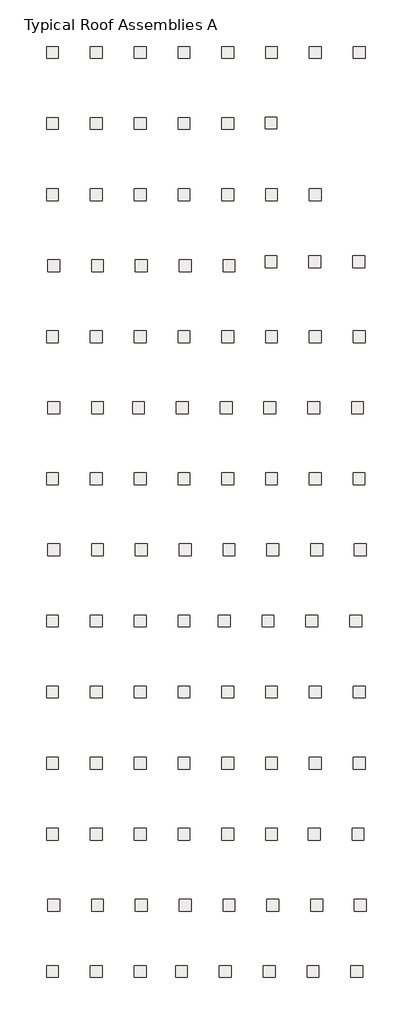
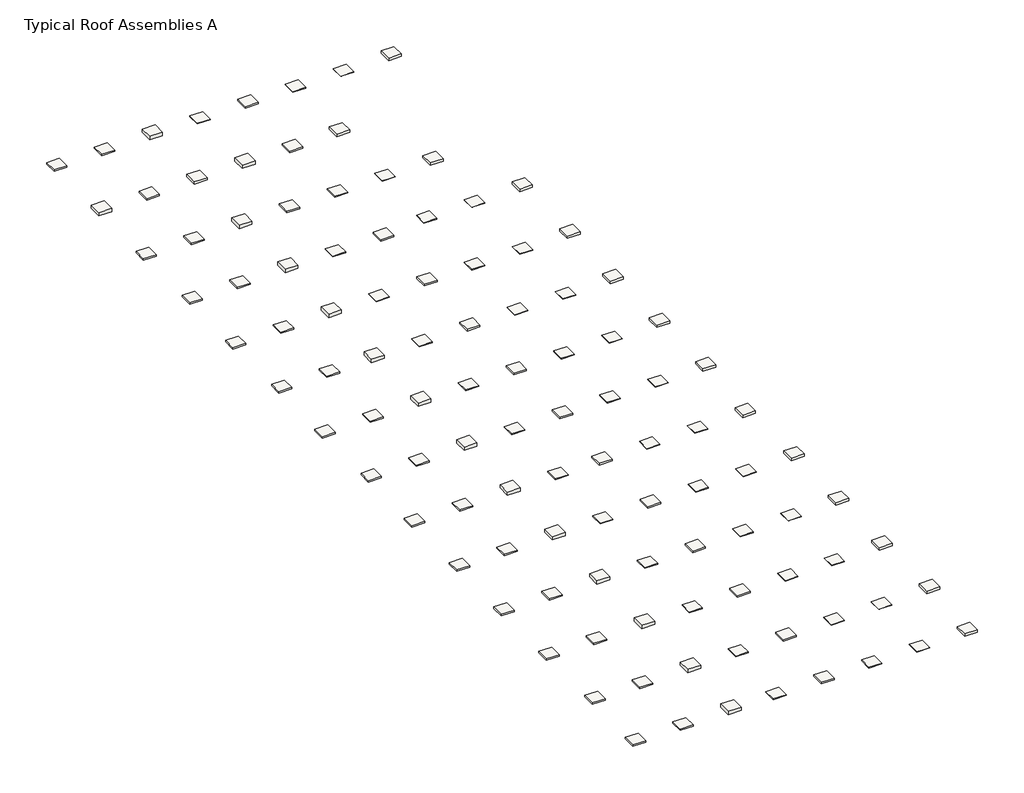
# One storey: 109 roofs.
"""IFC4 building model written with IfcOpenShell, lengths in millimetres."""

from ifc_helpers import new_model, si_unit, frame, origin, place, context, project, spatial, polyline, outline, extrude, element, save

model = new_model("IFC4")

# Units and contexts
model_context = context("Model", 3, world=origin())
ifc_project = project(units=[si_unit("LENGTHUNIT", "METRE", prefix="MILLI")], contexts=[model_context])

# Site, building, storey
site = spatial("IfcSite", under=ifc_project)
building = spatial("IfcBuilding", under=site)
storey = spatial("IfcBuildingStorey", under=building, Name="Typical Roof Assemblies A", Elevation=9144.0)

# Roofs
placement = place(None, origin())
element("IfcRoof", 1, at=placement, inside=storey, context=model_context, shape_type="SweptSolid", body=[
    extrude(outline(polyline([(-20080.9796011, 8926.1526271), (-18556.9796011, 8926.1526271), (-18556.9796011, 7402.1526271), (-20080.9796011, 7402.1526271), (-20080.9796011, 8926.1526271)])), frame((0.0, 0.0, 9144.0), z_axis=(0.0, 0.0, 1.0), x_axis=(1.0, 0.0, 0.0)), (0.0, 0.0, 1.0), 187.3250032),
])
element("IfcRoof", 2, at=placement, inside=storey, context=model_context, shape_type="SweptSolid", body=[
    extrude(outline(polyline([(-14442.1796011, 8926.1526271), (-12918.1796011, 8926.1526271), (-12918.1796011, 7402.1526271), (-14442.1796011, 7402.1526271), (-14442.1796011, 8926.1526271)])), frame((0.0, 0.0, 9144.0), z_axis=(0.0, 0.0, 1.0), x_axis=(1.0, 0.0, 0.0)), (0.0, 0.0, 1.0), 149.2250032),
])
element("IfcRoof", 3, at=placement, inside=storey, context=model_context, shape_type="SweptSolid", body=[
    extrude(outline(polyline([(-8803.3796011, 8926.1526271), (-7279.3796011, 8926.1526271), (-7279.3796011, 7402.1526271), (-8803.3796011, 7402.1526271), (-8803.3796011, 8926.1526271)])), frame((0.0, 0.0, 9144.0), z_axis=(0.0, 0.0, 1.0), x_axis=(1.0, 0.0, 0.0)), (0.0, 0.0, 1.0), 412.7500029),
])
element("IfcRoof", 4, at=placement, inside=storey, context=model_context, shape_type="SweptSolid", body=[
    extrude(outline(polyline([(-3164.5796011, 8926.1526271), (-1640.5796011, 8926.1526271), (-1640.5796011, 7402.1526271), (-3164.5796011, 7402.1526271), (-3164.5796011, 8926.1526271)])), frame((0.0, 0.0, 9144.0), z_axis=(0.0, 0.0, 1.0), x_axis=(1.0, 0.0, 0.0)), (0.0, 0.0, 1.0), 84.1375001),
])
element("IfcRoof", 5, at=placement, inside=storey, context=model_context, shape_type="SweptSolid", body=[
    extrude(outline(polyline([(2474.2203989, 8926.1526271), (3998.2203989, 8926.1526271), (3998.2203989, 7402.1526271), (2474.2203989, 7402.1526271), (2474.2203989, 8926.1526271)])), frame((0.0, 0.0, 9144.0), z_axis=(0.0, 0.0, 1.0), x_axis=(1.0, 0.0, 0.0)), (0.0, 0.0, 1.0), 192.0875033),
])
element("IfcRoof", 6, at=placement, inside=storey, context=model_context, shape_type="SweptSolid", body=[
    extrude(outline(polyline([(8113.0203989, 8926.1526271), (9637.0203989, 8926.1526271), (9637.0203989, 7402.1526271), (8113.0203989, 7402.1526271), (8113.0203989, 8926.1526271)])), frame((0.0, 0.0, 9144.0), z_axis=(0.0, 0.0, 1.0), x_axis=(1.0, 0.0, 0.0)), (0.0, 0.0, 1.0), 84.1375001),
])
element("IfcRoof", 7, at=placement, inside=storey, context=model_context, shape_type="SweptSolid", body=[
    extrude(outline(polyline([(13751.8203989, 8926.1526271), (15275.8203989, 8926.1526271), (15275.8203989, 7402.1526271), (13751.8203989, 7402.1526271), (13751.8203989, 8926.1526271)])), frame((0.0, 0.0, 9144.0), z_axis=(0.0, 0.0, 1.0), x_axis=(1.0, 0.0, 0.0)), (0.0, 0.0, 1.0), 46.0375001),
])
element("IfcRoof", 8, at=placement, inside=storey, context=model_context, shape_type="SweptSolid", body=[
    extrude(outline(polyline([(19390.6203989, 8926.1526271), (20914.6203989, 8926.1526271), (20914.6203989, 7402.1526271), (19390.6203989, 7402.1526271), (19390.6203989, 8926.1526271)])), frame((0.0, 0.0, 9144.0), z_axis=(0.0, 0.0, 1.0), x_axis=(1.0, 0.0, 0.0)), (0.0, 0.0, 1.0), 304.7999997),
])
element("IfcRoof", 9, at=placement, inside=storey, context=model_context, shape_type="SweptSolid", body=[
    extrude(outline(polyline([(-20080.9796011, -217.8473729), (-18556.9796011, -217.8473729), (-18556.9796011, -1741.8473729), (-20080.9796011, -1741.8473729), (-20080.9796011, -217.8473729)])), frame((0.0, 0.0, 9144.0), z_axis=(0.0, 0.0, 1.0), x_axis=(1.0, 0.0, 0.0)), (0.0, 0.0, 1.0), 412.7500029),
])
element("IfcRoof", 10, at=placement, inside=storey, context=model_context, shape_type="SweptSolid", body=[
    extrude(outline(polyline([(-14442.1796011, -217.8473729), (-12918.1796011, -217.8473729), (-12918.1796011, -1741.8473729), (-14442.1796011, -1741.8473729), (-14442.1796011, -217.8473729)])), frame((0.0, 0.0, 9144.0), z_axis=(0.0, 0.0, 1.0), x_axis=(1.0, 0.0, 0.0)), (0.0, 0.0, 1.0), 192.0875033),
])
element("IfcRoof", 11, at=placement, inside=storey, context=model_context, shape_type="SweptSolid", body=[
    extrude(outline(polyline([(-8803.3796011, -217.8473729), (-7279.3796011, -217.8473729), (-7279.3796011, -1741.8473729), (-8803.3796011, -1741.8473729), (-8803.3796011, -217.8473729)])), frame((0.0, 0.0, 9144.0), z_axis=(0.0, 0.0, 1.0), x_axis=(1.0, 0.0, 0.0)), (0.0, 0.0, 1.0), 304.7999997),
])
element("IfcRoof", 12, at=placement, inside=storey, context=model_context, shape_type="SweptSolid", body=[
    extrude(outline(polyline([(-3164.5796011, -217.8473729), (-1640.5796011, -217.8473729), (-1640.5796011, -1741.8473729), (-3164.5796011, -1741.8473729), (-3164.5796011, -217.8473729)])), frame((0.0, 0.0, 9144.0), z_axis=(0.0, 0.0, 1.0), x_axis=(1.0, 0.0, 0.0)), (0.0, 0.0, 1.0), 412.7500029),
])
element("IfcRoof", 13, at=placement, inside=storey, context=model_context, shape_type="SweptSolid", body=[
    extrude(outline(polyline([(2474.2203989, -217.8473729), (3998.2203989, -217.8473729), (3998.2203989, -1741.8473729), (2474.2203989, -1741.8473729), (2474.2203989, -217.8473729)])), frame((0.0, 0.0, 9144.0), z_axis=(0.0, 0.0, 1.0), x_axis=(1.0, 0.0, 0.0)), (0.0, 0.0, 1.0), 192.0875033),
])
element("IfcRoof", 14, at=placement, inside=storey, context=model_context, shape_type="SweptSolid", body=[
    extrude(outline(polyline([(8035.9548069, -146.2722939), (9559.9548069, -146.2722939), (9559.9548069, -1670.2722939), (8035.9548069, -1670.2722939), (8035.9548069, -146.2722939)])), frame((0.0, 0.0, 9144.0), z_axis=(0.0, 0.0, 1.0), x_axis=(1.0, 0.0, 0.0)), (0.0, 0.0, 1.0), 304.7999997),
])
element("IfcRoof", 15, at=placement, inside=storey, context=model_context, shape_type="SweptSolid", body=[
    extrude(outline(polyline([(-20080.9796011, -9361.8473729), (-18556.9796011, -9361.8473729), (-18556.9796011, -10885.8473729), (-20080.9796011, -10885.8473729), (-20080.9796011, -9361.8473729)])), frame((0.0, 0.0, 9144.0), z_axis=(0.0, 0.0, 1.0), x_axis=(1.0, 0.0, 0.0)), (0.0, 0.0, 1.0), 187.3250032),
])
element("IfcRoof", 16, at=placement, inside=storey, context=model_context, shape_type="SweptSolid", body=[
    extrude(outline(polyline([(-14442.1796011, -9361.8473729), (-12918.1796011, -9361.8473729), (-12918.1796011, -10885.8473729), (-14442.1796011, -10885.8473729), (-14442.1796011, -9361.8473729)])), frame((0.0, 0.0, 9144.0), z_axis=(0.0, 0.0, 1.0), x_axis=(1.0, 0.0, 0.0)), (0.0, 0.0, 1.0), 149.2250032),
])
element("IfcRoof", 17, at=placement, inside=storey, context=model_context, shape_type="SweptSolid", body=[
    extrude(outline(polyline([(-8803.3796011, -9361.8473729), (-7279.3796011, -9361.8473729), (-7279.3796011, -10885.8473729), (-8803.3796011, -10885.8473729), (-8803.3796011, -9361.8473729)])), frame((0.0, 0.0, 9144.0), z_axis=(0.0, 0.0, 1.0), x_axis=(1.0, 0.0, 0.0)), (0.0, 0.0, 1.0), 412.7500029),
])
element("IfcRoof", 18, at=placement, inside=storey, context=model_context, shape_type="SweptSolid", body=[
    extrude(outline(polyline([(-3164.5796011, -9361.8473729), (-1640.5796011, -9361.8473729), (-1640.5796011, -10885.8473729), (-3164.5796011, -10885.8473729), (-3164.5796011, -9361.8473729)])), frame((0.0, 0.0, 9144.0), z_axis=(0.0, 0.0, 1.0), x_axis=(1.0, 0.0, 0.0)), (0.0, 0.0, 1.0), 192.0875033),
])
element("IfcRoof", 19, at=placement, inside=storey, context=model_context, shape_type="SweptSolid", body=[
    extrude(outline(polyline([(2474.2203989, -9361.8473729), (3998.2203989, -9361.8473729), (3998.2203989, -10885.8473729), (2474.2203989, -10885.8473729), (2474.2203989, -9361.8473729)])), frame((0.0, 0.0, 9144.0), z_axis=(0.0, 0.0, 1.0), x_axis=(1.0, 0.0, 0.0)), (0.0, 0.0, 1.0), 84.1375001),
])
element("IfcRoof", 20, at=placement, inside=storey, context=model_context, shape_type="SweptSolid", body=[
    extrude(outline(polyline([(8113.0203989, -9361.8473729), (9637.0203989, -9361.8473729), (9637.0203989, -10885.8473729), (8113.0203989, -10885.8473729), (8113.0203989, -9361.8473729)])), frame((0.0, 0.0, 9144.0), z_axis=(0.0, 0.0, 1.0), x_axis=(1.0, 0.0, 0.0)), (0.0, 0.0, 1.0), 46.0375001),
])
element("IfcRoof", 21, at=placement, inside=storey, context=model_context, shape_type="SweptSolid", body=[
    extrude(outline(polyline([(13751.8203989, -9361.8473729), (15275.8203989, -9361.8473729), (15275.8203989, -10885.8473729), (13751.8203989, -10885.8473729), (13751.8203989, -9361.8473729)])), frame((0.0, 0.0, 9144.0), z_axis=(0.0, 0.0, 1.0), x_axis=(1.0, 0.0, 0.0)), (0.0, 0.0, 1.0), 304.7999997),
])
element("IfcRoof", 22, at=placement, inside=storey, context=model_context, shape_type="SweptSolid", body=[
    extrude(outline(polyline([(-19928.5796011, -18505.8473729), (-18404.5796011, -18505.8473729), (-18404.5796011, -20029.8473729), (-19928.5796011, -20029.8473729), (-19928.5796011, -18505.8473729)])), frame((0.0, 0.0, 9144.0), z_axis=(0.0, 0.0, 1.0), x_axis=(1.0, 0.0, 0.0)), (0.0, 0.0, 1.0), 187.3250032),
])
element("IfcRoof", 23, at=placement, inside=storey, context=model_context, shape_type="SweptSolid", body=[
    extrude(outline(polyline([(-14289.7796011, -18505.8473729), (-12765.7796011, -18505.8473729), (-12765.7796011, -20029.8473729), (-14289.7796011, -20029.8473729), (-14289.7796011, -18505.8473729)])), frame((0.0, 0.0, 9144.0), z_axis=(0.0, 0.0, 1.0), x_axis=(1.0, 0.0, 0.0)), (0.0, 0.0, 1.0), 149.2250032),
])
element("IfcRoof", 24, at=placement, inside=storey, context=model_context, shape_type="SweptSolid", body=[
    extrude(outline(polyline([(-8650.9796011, -18505.8473729), (-7126.9796011, -18505.8473729), (-7126.9796011, -20029.8473729), (-8650.9796011, -20029.8473729), (-8650.9796011, -18505.8473729)])), frame((0.0, 0.0, 9144.0), z_axis=(0.0, 0.0, 1.0), x_axis=(1.0, 0.0, 0.0)), (0.0, 0.0, 1.0), 412.7500029),
])
element("IfcRoof", 25, at=placement, inside=storey, context=model_context, shape_type="SweptSolid", body=[
    extrude(outline(polyline([(-3012.1796011, -18505.8473729), (-1488.1796011, -18505.8473729), (-1488.1796011, -20029.8473729), (-3012.1796011, -20029.8473729), (-3012.1796011, -18505.8473729)])), frame((0.0, 0.0, 9144.0), z_axis=(0.0, 0.0, 1.0), x_axis=(1.0, 0.0, 0.0)), (0.0, 0.0, 1.0), 84.1375001),
])
element("IfcRoof", 26, at=placement, inside=storey, context=model_context, shape_type="SweptSolid", body=[
    extrude(outline(polyline([(2626.6203989, -18505.8473729), (4150.6203989, -18505.8473729), (4150.6203989, -20029.8473729), (2626.6203989, -20029.8473729), (2626.6203989, -18505.8473729)])), frame((0.0, 0.0, 9144.0), z_axis=(0.0, 0.0, 1.0), x_axis=(1.0, 0.0, 0.0)), (0.0, 0.0, 1.0), 192.0875033),
])
element("IfcRoof", 27, at=placement, inside=storey, context=model_context, shape_type="SweptSolid", body=[
    extrude(outline(polyline([(8040.0496038, -17982.4130212), (9564.0496038, -17982.4130212), (9564.0496038, -19506.4130212), (8040.0496038, -19506.4130212), (8040.0496038, -17982.4130212)])), frame((0.0, 0.0, 9144.0), z_axis=(0.0, 0.0, 1.0), x_axis=(1.0, 0.0, 0.0)), (0.0, 0.0, 1.0), 84.1375001),
])
element("IfcRoof", 28, at=placement, inside=storey, context=model_context, shape_type="SweptSolid", body=[
    extrude(outline(polyline([(13678.8496038, -17982.4130212), (15202.8496038, -17982.4130212), (15202.8496038, -19506.4130212), (13678.8496038, -19506.4130212), (13678.8496038, -17982.4130212)])), frame((0.0, 0.0, 9144.0), z_axis=(0.0, 0.0, 1.0), x_axis=(1.0, 0.0, 0.0)), (0.0, 0.0, 1.0), 46.0375001),
])
element("IfcRoof", 29, at=placement, inside=storey, context=model_context, shape_type="SweptSolid", body=[
    extrude(outline(polyline([(19317.6496038, -17982.4130212), (20841.6496038, -17982.4130212), (20841.6496038, -19506.4130212), (19317.6496038, -19506.4130212), (19317.6496038, -17982.4130212)])), frame((0.0, 0.0, 9144.0), z_axis=(0.0, 0.0, 1.0), x_axis=(1.0, 0.0, 0.0)), (0.0, 0.0, 1.0), 304.7999997),
])
element("IfcRoof", 30, at=placement, inside=storey, context=model_context, shape_type="SweptSolid", body=[
    extrude(outline(polyline([(-20080.9796011, -27649.8473729), (-18556.9796011, -27649.8473729), (-18556.9796011, -29173.8473729), (-20080.9796011, -29173.8473729), (-20080.9796011, -27649.8473729)])), frame((0.0, 0.0, 9144.0), z_axis=(0.0, 0.0, 1.0), x_axis=(1.0, 0.0, 0.0)), (0.0, 0.0, 1.0), 187.3250032),
])
element("IfcRoof", 31, at=placement, inside=storey, context=model_context, shape_type="SweptSolid", body=[
    extrude(outline(polyline([(-14442.1796011, -27649.8473729), (-12918.1796011, -27649.8473729), (-12918.1796011, -29173.8473729), (-14442.1796011, -29173.8473729), (-14442.1796011, -27649.8473729)])), frame((0.0, 0.0, 9144.0), z_axis=(0.0, 0.0, 1.0), x_axis=(1.0, 0.0, 0.0)), (0.0, 0.0, 1.0), 149.2250032),
])
element("IfcRoof", 32, at=placement, inside=storey, context=model_context, shape_type="SweptSolid", body=[
    extrude(outline(polyline([(-8803.3796011, -27649.8473729), (-7279.3796011, -27649.8473729), (-7279.3796011, -29173.8473729), (-8803.3796011, -29173.8473729), (-8803.3796011, -27649.8473729)])), frame((0.0, 0.0, 9144.0), z_axis=(0.0, 0.0, 1.0), x_axis=(1.0, 0.0, 0.0)), (0.0, 0.0, 1.0), 412.7500029),
])
element("IfcRoof", 33, at=placement, inside=storey, context=model_context, shape_type="SweptSolid", body=[
    extrude(outline(polyline([(-3164.5796011, -27649.8473729), (-1640.5796011, -27649.8473729), (-1640.5796011, -29173.8473729), (-3164.5796011, -29173.8473729), (-3164.5796011, -27649.8473729)])), frame((0.0, 0.0, 9144.0), z_axis=(0.0, 0.0, 1.0), x_axis=(1.0, 0.0, 0.0)), (0.0, 0.0, 1.0), 84.1375001),
])
element("IfcRoof", 34, at=placement, inside=storey, context=model_context, shape_type="SweptSolid", body=[
    extrude(outline(polyline([(2474.2203989, -27649.8473729), (3998.2203989, -27649.8473729), (3998.2203989, -29173.8473729), (2474.2203989, -29173.8473729), (2474.2203989, -27649.8473729)])), frame((0.0, 0.0, 9144.0), z_axis=(0.0, 0.0, 1.0), x_axis=(1.0, 0.0, 0.0)), (0.0, 0.0, 1.0), 192.0875033),
])
element("IfcRoof", 35, at=placement, inside=storey, context=model_context, shape_type="SweptSolid", body=[
    extrude(outline(polyline([(8113.0203989, -27649.8473729), (9637.0203989, -27649.8473729), (9637.0203989, -29173.8473729), (8113.0203989, -29173.8473729), (8113.0203989, -27649.8473729)])), frame((0.0, 0.0, 9144.0), z_axis=(0.0, 0.0, 1.0), x_axis=(1.0, 0.0, 0.0)), (0.0, 0.0, 1.0), 84.1375001),
])
element("IfcRoof", 36, at=placement, inside=storey, context=model_context, shape_type="SweptSolid", body=[
    extrude(outline(polyline([(13751.8203989, -27649.8473729), (15275.8203989, -27649.8473729), (15275.8203989, -29173.8473729), (13751.8203989, -29173.8473729), (13751.8203989, -27649.8473729)])), frame((0.0, 0.0, 9144.0), z_axis=(0.0, 0.0, 1.0), x_axis=(1.0, 0.0, 0.0)), (0.0, 0.0, 1.0), 46.0375001),
])
element("IfcRoof", 37, at=placement, inside=storey, context=model_context, shape_type="SweptSolid", body=[
    extrude(outline(polyline([(19390.6203989, -27649.8473729), (20914.6203989, -27649.8473729), (20914.6203989, -29173.8473729), (19390.6203989, -29173.8473729), (19390.6203989, -27649.8473729)])), frame((0.0, 0.0, 9144.0), z_axis=(0.0, 0.0, 1.0), x_axis=(1.0, 0.0, 0.0)), (0.0, 0.0, 1.0), 304.7999997),
])
element("IfcRoof", 38, at=placement, inside=storey, context=model_context, shape_type="SweptSolid", body=[
    extrude(outline(polyline([(-19928.5796011, -36793.8473729), (-18404.5796011, -36793.8473729), (-18404.5796011, -38317.8473729), (-19928.5796011, -38317.8473729), (-19928.5796011, -36793.8473729)])), frame((0.0, 0.0, 9144.0), z_axis=(0.0, 0.0, 1.0), x_axis=(1.0, 0.0, 0.0)), (0.0, 0.0, 1.0), 187.3250032),
])
element("IfcRoof", 39, at=placement, inside=storey, context=model_context, shape_type="SweptSolid", body=[
    extrude(outline(polyline([(-14289.7796011, -36793.8473729), (-12765.7796011, -36793.8473729), (-12765.7796011, -38317.8473729), (-14289.7796011, -38317.8473729), (-14289.7796011, -36793.8473729)])), frame((0.0, 0.0, 9144.0), z_axis=(0.0, 0.0, 1.0), x_axis=(1.0, 0.0, 0.0)), (0.0, 0.0, 1.0), 149.2250032),
])
element("IfcRoof", 40, at=placement, inside=storey, context=model_context, shape_type="SweptSolid", body=[
    extrude(outline(polyline([(-9017.848886, -36799.1845105), (-7493.848886, -36799.1845105), (-7493.848886, -38323.1845105), (-9017.848886, -38323.1845105), (-9017.848886, -36799.1845105)])), frame((0.0, 0.0, 9144.0), z_axis=(0.0, 0.0, 1.0), x_axis=(1.0, 0.0, 0.0)), (0.0, 0.0, 1.0), 412.7500029),
])
element("IfcRoof", 41, at=placement, inside=storey, context=model_context, shape_type="SweptSolid", body=[
    extrude(outline(polyline([(-3379.048886, -36799.1845105), (-1855.048886, -36799.1845105), (-1855.048886, -38323.1845105), (-3379.048886, -38323.1845105), (-3379.048886, -36799.1845105)])), frame((0.0, 0.0, 9144.0), z_axis=(0.0, 0.0, 1.0), x_axis=(1.0, 0.0, 0.0)), (0.0, 0.0, 1.0), 84.1375001),
])
element("IfcRoof", 42, at=placement, inside=storey, context=model_context, shape_type="SweptSolid", body=[
    extrude(outline(polyline([(2259.751114, -36799.1845105), (3783.751114, -36799.1845105), (3783.751114, -38323.1845105), (2259.751114, -38323.1845105), (2259.751114, -36799.1845105)])), frame((0.0, 0.0, 9144.0), z_axis=(0.0, 0.0, 1.0), x_axis=(1.0, 0.0, 0.0)), (0.0, 0.0, 1.0), 192.0875033),
])
element("IfcRoof", 43, at=placement, inside=storey, context=model_context, shape_type="SweptSolid", body=[
    extrude(outline(polyline([(7898.551114, -36799.1845105), (9422.551114, -36799.1845105), (9422.551114, -38323.1845105), (7898.551114, -38323.1845105), (7898.551114, -36799.1845105)])), frame((0.0, 0.0, 9144.0), z_axis=(0.0, 0.0, 1.0), x_axis=(1.0, 0.0, 0.0)), (0.0, 0.0, 1.0), 84.1375001),
])
element("IfcRoof", 44, at=placement, inside=storey, context=model_context, shape_type="SweptSolid", body=[
    extrude(outline(polyline([(13537.351114, -36799.1845105), (15061.351114, -36799.1845105), (15061.351114, -38323.1845105), (13537.351114, -38323.1845105), (13537.351114, -36799.1845105)])), frame((0.0, 0.0, 9144.0), z_axis=(0.0, 0.0, 1.0), x_axis=(1.0, 0.0, 0.0)), (0.0, 0.0, 1.0), 46.0375001),
])
element("IfcRoof", 45, at=placement, inside=storey, context=model_context, shape_type="SweptSolid", body=[
    extrude(outline(polyline([(19176.151114, -36799.1845105), (20700.151114, -36799.1845105), (20700.151114, -38323.1845105), (19176.151114, -38323.1845105), (19176.151114, -36799.1845105)])), frame((0.0, 0.0, 9144.0), z_axis=(0.0, 0.0, 1.0), x_axis=(1.0, 0.0, 0.0)), (0.0, 0.0, 1.0), 304.7999997),
])
element("IfcRoof", 46, at=placement, inside=storey, context=model_context, shape_type="SweptSolid", body=[
    extrude(outline(polyline([(-20080.9796011, -45937.8473729), (-18556.9796011, -45937.8473729), (-18556.9796011, -47461.8473729), (-20080.9796011, -47461.8473729), (-20080.9796011, -45937.8473729)])), frame((0.0, 0.0, 9144.0), z_axis=(0.0, 0.0, 1.0), x_axis=(1.0, 0.0, 0.0)), (0.0, 0.0, 1.0), 188.0235032),
])
element("IfcRoof", 47, at=placement, inside=storey, context=model_context, shape_type="SweptSolid", body=[
    extrude(outline(polyline([(-14442.1796011, -45937.8473729), (-12918.1796011, -45937.8473729), (-12918.1796011, -47461.8473729), (-14442.1796011, -47461.8473729), (-14442.1796011, -45937.8473729)])), frame((0.0, 0.0, 9144.0), z_axis=(0.0, 0.0, 1.0), x_axis=(1.0, 0.0, 0.0)), (0.0, 0.0, 1.0), 149.9235032),
])
element("IfcRoof", 48, at=placement, inside=storey, context=model_context, shape_type="SweptSolid", body=[
    extrude(outline(polyline([(-8803.3796011, -45937.8473729), (-7279.3796011, -45937.8473729), (-7279.3796011, -47461.8473729), (-8803.3796011, -47461.8473729), (-8803.3796011, -45937.8473729)])), frame((0.0, 0.0, 9144.0), z_axis=(0.0, 0.0, 1.0), x_axis=(1.0, 0.0, 0.0)), (0.0, 0.0, 1.0), 413.448503),
])
element("IfcRoof", 49, at=placement, inside=storey, context=model_context, shape_type="SweptSolid", body=[
    extrude(outline(polyline([(-3164.5796011, -45937.8473729), (-1640.5796011, -45937.8473729), (-1640.5796011, -47461.8473729), (-3164.5796011, -47461.8473729), (-3164.5796011, -45937.8473729)])), frame((0.0, 0.0, 9144.0), z_axis=(0.0, 0.0, 1.0), x_axis=(1.0, 0.0, 0.0)), (0.0, 0.0, 1.0), 84.8360001),
])
element("IfcRoof", 50, at=placement, inside=storey, context=model_context, shape_type="SweptSolid", body=[
    extrude(outline(polyline([(2474.2203989, -45937.8473729), (3998.2203989, -45937.8473729), (3998.2203989, -47461.8473729), (2474.2203989, -47461.8473729), (2474.2203989, -45937.8473729)])), frame((0.0, 0.0, 9144.0), z_axis=(0.0, 0.0, 1.0), x_axis=(1.0, 0.0, 0.0)), (0.0, 0.0, 1.0), 192.7860034),
])
element("IfcRoof", 51, at=placement, inside=storey, context=model_context, shape_type="SweptSolid", body=[
    extrude(outline(polyline([(8113.0203989, -45937.8473729), (9637.0203989, -45937.8473729), (9637.0203989, -47461.8473729), (8113.0203989, -47461.8473729), (8113.0203989, -45937.8473729)])), frame((0.0, 0.0, 9144.0), z_axis=(0.0, 0.0, 1.0), x_axis=(1.0, 0.0, 0.0)), (0.0, 0.0, 1.0), 84.8360001),
])
element("IfcRoof", 52, at=placement, inside=storey, context=model_context, shape_type="SweptSolid", body=[
    extrude(outline(polyline([(13751.8203989, -45937.8473729), (15275.8203989, -45937.8473729), (15275.8203989, -47461.8473729), (13751.8203989, -47461.8473729), (13751.8203989, -45937.8473729)])), frame((0.0, 0.0, 9144.0), z_axis=(0.0, 0.0, 1.0), x_axis=(1.0, 0.0, 0.0)), (0.0, 0.0, 1.0), 46.7360001),
])
element("IfcRoof", 53, at=placement, inside=storey, context=model_context, shape_type="SweptSolid", body=[
    extrude(outline(polyline([(19358.8758786, -45945.9704618), (20882.8758786, -45945.9704618), (20882.8758786, -47469.9704618), (19358.8758786, -47469.9704618), (19358.8758786, -45945.9704618)])), frame((0.0, 0.0, 9144.0), z_axis=(0.0, 0.0, 1.0), x_axis=(1.0, 0.0, 0.0)), (0.0, 0.0, 1.0), 305.4984998),
])
element("IfcRoof", 54, at=placement, inside=storey, context=model_context, shape_type="SweptSolid", body=[
    extrude(outline(polyline([(-19928.5796011, -55081.8473729), (-18404.5796011, -55081.8473729), (-18404.5796011, -56605.8473729), (-19928.5796011, -56605.8473729), (-19928.5796011, -55081.8473729)])), frame((0.0, 0.0, 9144.0), z_axis=(0.0, 0.0, 1.0), x_axis=(1.0, 0.0, 0.0)), (0.0, 0.0, 1.0), 187.3250032),
])
element("IfcRoof", 55, at=placement, inside=storey, context=model_context, shape_type="SweptSolid", body=[
    extrude(outline(polyline([(-14289.7796011, -55081.8473729), (-12765.7796011, -55081.8473729), (-12765.7796011, -56605.8473729), (-14289.7796011, -56605.8473729), (-14289.7796011, -55081.8473729)])), frame((0.0, 0.0, 9144.0), z_axis=(0.0, 0.0, 1.0), x_axis=(1.0, 0.0, 0.0)), (0.0, 0.0, 1.0), 149.2250032),
])
element("IfcRoof", 56, at=placement, inside=storey, context=model_context, shape_type="SweptSolid", body=[
    extrude(outline(polyline([(-8650.9796011, -55081.8473729), (-7126.9796011, -55081.8473729), (-7126.9796011, -56605.8473729), (-8650.9796011, -56605.8473729), (-8650.9796011, -55081.8473729)])), frame((0.0, 0.0, 9144.0), z_axis=(0.0, 0.0, 1.0), x_axis=(1.0, 0.0, 0.0)), (0.0, 0.0, 1.0), 412.7500029),
])
element("IfcRoof", 57, at=placement, inside=storey, context=model_context, shape_type="SweptSolid", body=[
    extrude(outline(polyline([(-3012.1796011, -55081.8473729), (-1488.1796011, -55081.8473729), (-1488.1796011, -56605.8473729), (-3012.1796011, -56605.8473729), (-3012.1796011, -55081.8473729)])), frame((0.0, 0.0, 9144.0), z_axis=(0.0, 0.0, 1.0), x_axis=(1.0, 0.0, 0.0)), (0.0, 0.0, 1.0), 84.1375001),
])
element("IfcRoof", 58, at=placement, inside=storey, context=model_context, shape_type="SweptSolid", body=[
    extrude(outline(polyline([(2626.6203989, -55081.8473729), (4150.6203989, -55081.8473729), (4150.6203989, -56605.8473729), (2626.6203989, -56605.8473729), (2626.6203989, -55081.8473729)])), frame((0.0, 0.0, 9144.0), z_axis=(0.0, 0.0, 1.0), x_axis=(1.0, 0.0, 0.0)), (0.0, 0.0, 1.0), 192.0875033),
])
element("IfcRoof", 59, at=placement, inside=storey, context=model_context, shape_type="SweptSolid", body=[
    extrude(outline(polyline([(8265.4203989, -55081.8473729), (9789.4203989, -55081.8473729), (9789.4203989, -56605.8473729), (8265.4203989, -56605.8473729), (8265.4203989, -55081.8473729)])), frame((0.0, 0.0, 9144.0), z_axis=(0.0, 0.0, 1.0), x_axis=(1.0, 0.0, 0.0)), (0.0, 0.0, 1.0), 84.1375001),
])
element("IfcRoof", 60, at=placement, inside=storey, context=model_context, shape_type="SweptSolid", body=[
    extrude(outline(polyline([(13904.2203989, -55081.8473729), (15428.2203989, -55081.8473729), (15428.2203989, -56605.8473729), (13904.2203989, -56605.8473729), (13904.2203989, -55081.8473729)])), frame((0.0, 0.0, 9144.0), z_axis=(0.0, 0.0, 1.0), x_axis=(1.0, 0.0, 0.0)), (0.0, 0.0, 1.0), 46.0375001),
])
element("IfcRoof", 61, at=placement, inside=storey, context=model_context, shape_type="SweptSolid", body=[
    extrude(outline(polyline([(19543.0203989, -55081.8473729), (21067.0203989, -55081.8473729), (21067.0203989, -56605.8473729), (19543.0203989, -56605.8473729), (19543.0203989, -55081.8473729)])), frame((0.0, 0.0, 9144.0), z_axis=(0.0, 0.0, 1.0), x_axis=(1.0, 0.0, 0.0)), (0.0, 0.0, 1.0), 304.7999997),
])
element("IfcRoof", 62, at=placement, inside=storey, context=model_context, shape_type="SweptSolid", body=[
    extrude(outline(polyline([(-20080.9796011, -64225.8473729), (-18556.9796011, -64225.8473729), (-18556.9796011, -65749.8473729), (-20080.9796011, -65749.8473729), (-20080.9796011, -64225.8473729)])), frame((0.0, 0.0, 9144.0), z_axis=(0.0, 0.0, 1.0), x_axis=(1.0, 0.0, 0.0)), (0.0, 0.0, 1.0), 187.3250032),
])
element("IfcRoof", 63, at=placement, inside=storey, context=model_context, shape_type="SweptSolid", body=[
    extrude(outline(polyline([(-14442.1796011, -64225.8473729), (-12918.1796011, -64225.8473729), (-12918.1796011, -65749.8473729), (-14442.1796011, -65749.8473729), (-14442.1796011, -64225.8473729)])), frame((0.0, 0.0, 9144.0), z_axis=(0.0, 0.0, 1.0), x_axis=(1.0, 0.0, 0.0)), (0.0, 0.0, 1.0), 149.2250032),
])
element("IfcRoof", 64, at=placement, inside=storey, context=model_context, shape_type="SweptSolid", body=[
    extrude(outline(polyline([(-8803.3796011, -64225.8473729), (-7279.3796011, -64225.8473729), (-7279.3796011, -65749.8473729), (-8803.3796011, -65749.8473729), (-8803.3796011, -64225.8473729)])), frame((0.0, 0.0, 9144.0), z_axis=(0.0, 0.0, 1.0), x_axis=(1.0, 0.0, 0.0)), (0.0, 0.0, 1.0), 412.7500029),
])
element("IfcRoof", 65, at=placement, inside=storey, context=model_context, shape_type="SweptSolid", body=[
    extrude(outline(polyline([(-3164.5796011, -64225.8473729), (-1640.5796011, -64225.8473729), (-1640.5796011, -65749.8473729), (-3164.5796011, -65749.8473729), (-3164.5796011, -64225.8473729)])), frame((0.0, 0.0, 9144.0), z_axis=(0.0, 0.0, 1.0), x_axis=(1.0, 0.0, 0.0)), (0.0, 0.0, 1.0), 84.1375001),
])
element("IfcRoof", 66, at=placement, inside=storey, context=model_context, shape_type="SweptSolid", body=[
    extrude(outline(polyline([(2017.0203989, -64225.8473729), (3541.0203989, -64225.8473729), (3541.0203989, -65749.8473729), (2017.0203989, -65749.8473729), (2017.0203989, -64225.8473729)])), frame((0.0, 0.0, 9144.0), z_axis=(0.0, 0.0, 1.0), x_axis=(1.0, 0.0, 0.0)), (0.0, 0.0, 1.0), 192.0875033),
])
element("IfcRoof", 67, at=placement, inside=storey, context=model_context, shape_type="SweptSolid", body=[
    extrude(outline(polyline([(7655.8203989, -64225.8473729), (9179.8203989, -64225.8473729), (9179.8203989, -65749.8473729), (7655.8203989, -65749.8473729), (7655.8203989, -64225.8473729)])), frame((0.0, 0.0, 9144.0), z_axis=(0.0, 0.0, 1.0), x_axis=(1.0, 0.0, 0.0)), (0.0, 0.0, 1.0), 84.1375001),
])
element("IfcRoof", 68, at=placement, inside=storey, context=model_context, shape_type="SweptSolid", body=[
    extrude(outline(polyline([(13294.6203989, -64225.8473729), (14818.6203989, -64225.8473729), (14818.6203989, -65749.8473729), (13294.6203989, -65749.8473729), (13294.6203989, -64225.8473729)])), frame((0.0, 0.0, 9144.0), z_axis=(0.0, 0.0, 1.0), x_axis=(1.0, 0.0, 0.0)), (0.0, 0.0, 1.0), 46.0375001),
])
element("IfcRoof", 69, at=placement, inside=storey, context=model_context, shape_type="SweptSolid", body=[
    extrude(outline(polyline([(18933.4203989, -64225.8473729), (20457.4203989, -64225.8473729), (20457.4203989, -65749.8473729), (18933.4203989, -65749.8473729), (18933.4203989, -64225.8473729)])), frame((0.0, 0.0, 9144.0), z_axis=(0.0, 0.0, 1.0), x_axis=(1.0, 0.0, 0.0)), (0.0, 0.0, 1.0), 304.7999997),
])
element("IfcRoof", 70, at=placement, inside=storey, context=model_context, shape_type="SweptSolid", body=[
    extrude(outline(polyline([(-20080.9796011, -73369.8473729), (-18556.9796011, -73369.8473729), (-18556.9796011, -74893.8473729), (-20080.9796011, -74893.8473729), (-20080.9796011, -73369.8473729)])), frame((0.0, 0.0, 9144.0), z_axis=(0.0, 0.0, 1.0), x_axis=(1.0, 0.0, 0.0)), (0.0, 0.0, 1.0), 187.3250032),
])
element("IfcRoof", 71, at=placement, inside=storey, context=model_context, shape_type="SweptSolid", body=[
    extrude(outline(polyline([(-14442.1796011, -73369.8473729), (-12918.1796011, -73369.8473729), (-12918.1796011, -74893.8473729), (-14442.1796011, -74893.8473729), (-14442.1796011, -73369.8473729)])), frame((0.0, 0.0, 9144.0), z_axis=(0.0, 0.0, 1.0), x_axis=(1.0, 0.0, 0.0)), (0.0, 0.0, 1.0), 149.2250032),
])
element("IfcRoof", 72, at=placement, inside=storey, context=model_context, shape_type="SweptSolid", body=[
    extrude(outline(polyline([(-8803.3796011, -73369.8473729), (-7279.3796011, -73369.8473729), (-7279.3796011, -74893.8473729), (-8803.3796011, -74893.8473729), (-8803.3796011, -73369.8473729)])), frame((0.0, 0.0, 9144.0), z_axis=(0.0, 0.0, 1.0), x_axis=(1.0, 0.0, 0.0)), (0.0, 0.0, 1.0), 412.7500029),
])
element("IfcRoof", 73, at=placement, inside=storey, context=model_context, shape_type="SweptSolid", body=[
    extrude(outline(polyline([(-3164.5796011, -73369.8473729), (-1640.5796011, -73369.8473729), (-1640.5796011, -74893.8473729), (-3164.5796011, -74893.8473729), (-3164.5796011, -73369.8473729)])), frame((0.0, 0.0, 9144.0), z_axis=(0.0, 0.0, 1.0), x_axis=(1.0, 0.0, 0.0)), (0.0, 0.0, 1.0), 84.1375001),
])
element("IfcRoof", 74, at=placement, inside=storey, context=model_context, shape_type="SweptSolid", body=[
    extrude(outline(polyline([(2474.2203989, -73369.8473729), (3998.2203989, -73369.8473729), (3998.2203989, -74893.8473729), (2474.2203989, -74893.8473729), (2474.2203989, -73369.8473729)])), frame((0.0, 0.0, 9144.0), z_axis=(0.0, 0.0, 1.0), x_axis=(1.0, 0.0, 0.0)), (0.0, 0.0, 1.0), 192.0875033),
])
element("IfcRoof", 75, at=placement, inside=storey, context=model_context, shape_type="SweptSolid", body=[
    extrude(outline(polyline([(8113.0203989, -73369.8473729), (9637.0203989, -73369.8473729), (9637.0203989, -74893.8473729), (8113.0203989, -74893.8473729), (8113.0203989, -73369.8473729)])), frame((0.0, 0.0, 9144.0), z_axis=(0.0, 0.0, 1.0), x_axis=(1.0, 0.0, 0.0)), (0.0, 0.0, 1.0), 84.1375001),
])
element("IfcRoof", 76, at=placement, inside=storey, context=model_context, shape_type="SweptSolid", body=[
    extrude(outline(polyline([(13751.8203989, -73369.8473729), (15275.8203989, -73369.8473729), (15275.8203989, -74893.8473729), (13751.8203989, -74893.8473729), (13751.8203989, -73369.8473729)])), frame((0.0, 0.0, 9144.0), z_axis=(0.0, 0.0, 1.0), x_axis=(1.0, 0.0, 0.0)), (0.0, 0.0, 1.0), 46.0375001),
])
element("IfcRoof", 77, at=placement, inside=storey, context=model_context, shape_type="SweptSolid", body=[
    extrude(outline(polyline([(19390.6203989, -73369.8473729), (20914.6203989, -73369.8473729), (20914.6203989, -74893.8473729), (19390.6203989, -74893.8473729), (19390.6203989, -73369.8473729)])), frame((0.0, 0.0, 9144.0), z_axis=(0.0, 0.0, 1.0), x_axis=(1.0, 0.0, 0.0)), (0.0, 0.0, 1.0), 304.7999997),
])
element("IfcRoof", 78, at=placement, inside=storey, context=model_context, shape_type="SweptSolid", body=[
    extrude(outline(polyline([(-20080.9796011, -82513.8473729), (-18556.9796011, -82513.8473729), (-18556.9796011, -84037.8473729), (-20080.9796011, -84037.8473729), (-20080.9796011, -82513.8473729)])), frame((0.0, 0.0, 9144.0), z_axis=(0.0, 0.0, 1.0), x_axis=(1.0, 0.0, 0.0)), (0.0, 0.0, 1.0), 187.3250032),
])
element("IfcRoof", 79, at=placement, inside=storey, context=model_context, shape_type="SweptSolid", body=[
    extrude(outline(polyline([(-14442.1796011, -82513.8473729), (-12918.1796011, -82513.8473729), (-12918.1796011, -84037.8473729), (-14442.1796011, -84037.8473729), (-14442.1796011, -82513.8473729)])), frame((0.0, 0.0, 9144.0), z_axis=(0.0, 0.0, 1.0), x_axis=(1.0, 0.0, 0.0)), (0.0, 0.0, 1.0), 149.2250032),
])
element("IfcRoof", 80, at=placement, inside=storey, context=model_context, shape_type="SweptSolid", body=[
    extrude(outline(polyline([(-8803.3796011, -82513.8473729), (-7279.3796011, -82513.8473729), (-7279.3796011, -84037.8473729), (-8803.3796011, -84037.8473729), (-8803.3796011, -82513.8473729)])), frame((0.0, 0.0, 9144.0), z_axis=(0.0, 0.0, 1.0), x_axis=(1.0, 0.0, 0.0)), (0.0, 0.0, 1.0), 412.7500029),
])
element("IfcRoof", 81, at=placement, inside=storey, context=model_context, shape_type="SweptSolid", body=[
    extrude(outline(polyline([(-3164.5796011, -82513.8473729), (-1640.5796011, -82513.8473729), (-1640.5796011, -84037.8473729), (-3164.5796011, -84037.8473729), (-3164.5796011, -82513.8473729)])), frame((0.0, 0.0, 9144.0), z_axis=(0.0, 0.0, 1.0), x_axis=(1.0, 0.0, 0.0)), (0.0, 0.0, 1.0), 84.1375001),
])
element("IfcRoof", 82, at=placement, inside=storey, context=model_context, shape_type="SweptSolid", body=[
    extrude(outline(polyline([(2474.2203989, -82513.8473729), (3998.2203989, -82513.8473729), (3998.2203989, -84037.8473729), (2474.2203989, -84037.8473729), (2474.2203989, -82513.8473729)])), frame((0.0, 0.0, 9144.0), z_axis=(0.0, 0.0, 1.0), x_axis=(1.0, 0.0, 0.0)), (0.0, 0.0, 1.0), 192.0875033),
])
element("IfcRoof", 83, at=placement, inside=storey, context=model_context, shape_type="SweptSolid", body=[
    extrude(outline(polyline([(8113.0203989, -82513.8473729), (9637.0203989, -82513.8473729), (9637.0203989, -84037.8473729), (8113.0203989, -84037.8473729), (8113.0203989, -82513.8473729)])), frame((0.0, 0.0, 9144.0), z_axis=(0.0, 0.0, 1.0), x_axis=(1.0, 0.0, 0.0)), (0.0, 0.0, 1.0), 84.1375001),
])
element("IfcRoof", 84, at=placement, inside=storey, context=model_context, shape_type="SweptSolid", body=[
    extrude(outline(polyline([(13751.8203989, -82513.8473729), (15275.8203989, -82513.8473729), (15275.8203989, -84037.8473729), (13751.8203989, -84037.8473729), (13751.8203989, -82513.8473729)])), frame((0.0, 0.0, 9144.0), z_axis=(0.0, 0.0, 1.0), x_axis=(1.0, 0.0, 0.0)), (0.0, 0.0, 1.0), 46.0375001),
])
element("IfcRoof", 85, at=placement, inside=storey, context=model_context, shape_type="SweptSolid", body=[
    extrude(outline(polyline([(19390.6203989, -82513.8473729), (20914.6203989, -82513.8473729), (20914.6203989, -84037.8473729), (19390.6203989, -84037.8473729), (19390.6203989, -82513.8473729)])), frame((0.0, 0.0, 9144.0), z_axis=(0.0, 0.0, 1.0), x_axis=(1.0, 0.0, 0.0)), (0.0, 0.0, 1.0), 304.7999997),
])
element("IfcRoof", 86, at=placement, inside=storey, context=model_context, shape_type="SweptSolid", body=[
    extrude(outline(polyline([(-20080.9796011, -91657.8473729), (-18556.9796011, -91657.8473729), (-18556.9796011, -93181.8473729), (-20080.9796011, -93181.8473729), (-20080.9796011, -91657.8473729)])), frame((0.0, 0.0, 9144.0), z_axis=(0.0, 0.0, 1.0), x_axis=(1.0, 0.0, 0.0)), (0.0, 0.0, 1.0), 187.3250032),
])
element("IfcRoof", 87, at=placement, inside=storey, context=model_context, shape_type="SweptSolid", body=[
    extrude(outline(polyline([(-14442.1796011, -91657.8473729), (-12918.1796011, -91657.8473729), (-12918.1796011, -93181.8473729), (-14442.1796011, -93181.8473729), (-14442.1796011, -91657.8473729)])), frame((0.0, 0.0, 9144.0), z_axis=(0.0, 0.0, 1.0), x_axis=(1.0, 0.0, 0.0)), (0.0, 0.0, 1.0), 149.2250032),
])
element("IfcRoof", 88, at=placement, inside=storey, context=model_context, shape_type="SweptSolid", body=[
    extrude(outline(polyline([(-8803.3796011, -91657.8473729), (-7279.3796011, -91657.8473729), (-7279.3796011, -93181.8473729), (-8803.3796011, -93181.8473729), (-8803.3796011, -91657.8473729)])), frame((0.0, 0.0, 9144.0), z_axis=(0.0, 0.0, 1.0), x_axis=(1.0, 0.0, 0.0)), (0.0, 0.0, 1.0), 412.7500029),
])
element("IfcRoof", 89, at=placement, inside=storey, context=model_context, shape_type="SweptSolid", body=[
    extrude(outline(polyline([(-3164.5796011, -91657.8473729), (-1640.5796011, -91657.8473729), (-1640.5796011, -93181.8473729), (-3164.5796011, -93181.8473729), (-3164.5796011, -91657.8473729)])), frame((0.0, 0.0, 9144.0), z_axis=(0.0, 0.0, 1.0), x_axis=(1.0, 0.0, 0.0)), (0.0, 0.0, 1.0), 84.1375001),
])
element("IfcRoof", 90, at=placement, inside=storey, context=model_context, shape_type="SweptSolid", body=[
    extrude(outline(polyline([(2474.2203989, -91657.8473729), (3998.2203989, -91657.8473729), (3998.2203989, -93181.8473729), (2474.2203989, -93181.8473729), (2474.2203989, -91657.8473729)])), frame((0.0, 0.0, 9144.0), z_axis=(0.0, 0.0, 1.0), x_axis=(1.0, 0.0, 0.0)), (0.0, 0.0, 1.0), 192.0875033),
])
element("IfcRoof", 91, at=placement, inside=storey, context=model_context, shape_type="SweptSolid", body=[
    extrude(outline(polyline([(8113.0203989, -91657.8473729), (9637.0203989, -91657.8473729), (9637.0203989, -93181.8473729), (8113.0203989, -93181.8473729), (8113.0203989, -91657.8473729)])), frame((0.0, 0.0, 9144.0), z_axis=(0.0, 0.0, 1.0), x_axis=(1.0, 0.0, 0.0)), (0.0, 0.0, 1.0), 84.1375001),
])
element("IfcRoof", 92, at=placement, inside=storey, context=model_context, shape_type="SweptSolid", body=[
    extrude(outline(polyline([(13599.4203989, -91657.8473729), (15123.4203989, -91657.8473729), (15123.4203989, -93181.8473729), (13599.4203989, -93181.8473729), (13599.4203989, -91657.8473729)])), frame((0.0, 0.0, 9144.0), z_axis=(0.0, 0.0, 1.0), x_axis=(1.0, 0.0, 0.0)), (0.0, 0.0, 1.0), 46.0375001),
])
element("IfcRoof", 93, at=placement, inside=storey, context=model_context, shape_type="SweptSolid", body=[
    extrude(outline(polyline([(19238.2203989, -91657.8473729), (20762.2203989, -91657.8473729), (20762.2203989, -93181.8473729), (19238.2203989, -93181.8473729), (19238.2203989, -91657.8473729)])), frame((0.0, 0.0, 9144.0), z_axis=(0.0, 0.0, 1.0), x_axis=(1.0, 0.0, 0.0)), (0.0, 0.0, 1.0), 304.7999997),
])
element("IfcRoof", 94, at=placement, inside=storey, context=model_context, shape_type="SweptSolid", body=[
    extrude(outline(polyline([(-19928.5796011, -100801.8473729), (-18404.5796011, -100801.8473729), (-18404.5796011, -102325.8473729), (-19928.5796011, -102325.8473729), (-19928.5796011, -100801.8473729)])), frame((0.0, 0.0, 9144.0), z_axis=(0.0, 0.0, 1.0), x_axis=(1.0, 0.0, 0.0)), (0.0, 0.0, 1.0), 188.0235032),
])
element("IfcRoof", 95, at=placement, inside=storey, context=model_context, shape_type="SweptSolid", body=[
    extrude(outline(polyline([(-14289.7796011, -100801.8473729), (-12765.7796011, -100801.8473729), (-12765.7796011, -102325.8473729), (-14289.7796011, -102325.8473729), (-14289.7796011, -100801.8473729)])), frame((0.0, 0.0, 9144.0), z_axis=(0.0, 0.0, 1.0), x_axis=(1.0, 0.0, 0.0)), (0.0, 0.0, 1.0), 149.9235032),
])
element("IfcRoof", 96, at=placement, inside=storey, context=model_context, shape_type="SweptSolid", body=[
    extrude(outline(polyline([(-8650.9796011, -100801.8473729), (-7126.9796011, -100801.8473729), (-7126.9796011, -102325.8473729), (-8650.9796011, -102325.8473729), (-8650.9796011, -100801.8473729)])), frame((0.0, 0.0, 9144.0), z_axis=(0.0, 0.0, 1.0), x_axis=(1.0, 0.0, 0.0)), (0.0, 0.0, 1.0), 413.448503),
])
element("IfcRoof", 97, at=placement, inside=storey, context=model_context, shape_type="SweptSolid", body=[
    extrude(outline(polyline([(-3012.1796011, -100801.8473729), (-1488.1796011, -100801.8473729), (-1488.1796011, -102325.8473729), (-3012.1796011, -102325.8473729), (-3012.1796011, -100801.8473729)])), frame((0.0, 0.0, 9144.0), z_axis=(0.0, 0.0, 1.0), x_axis=(1.0, 0.0, 0.0)), (0.0, 0.0, 1.0), 84.8360001),
])
element("IfcRoof", 98, at=placement, inside=storey, context=model_context, shape_type="SweptSolid", body=[
    extrude(outline(polyline([(2626.6203989, -100801.8473729), (4150.6203989, -100801.8473729), (4150.6203989, -102325.8473729), (2626.6203989, -102325.8473729), (2626.6203989, -100801.8473729)])), frame((0.0, 0.0, 9144.0), z_axis=(0.0, 0.0, 1.0), x_axis=(1.0, 0.0, 0.0)), (0.0, 0.0, 1.0), 192.7860034),
])
element("IfcRoof", 99, at=placement, inside=storey, context=model_context, shape_type="SweptSolid", body=[
    extrude(outline(polyline([(8265.4203989, -100801.8473729), (9789.4203989, -100801.8473729), (9789.4203989, -102325.8473729), (8265.4203989, -102325.8473729), (8265.4203989, -100801.8473729)])), frame((0.0, 0.0, 9144.0), z_axis=(0.0, 0.0, 1.0), x_axis=(1.0, 0.0, 0.0)), (0.0, 0.0, 1.0), 84.8360001),
])
element("IfcRoof", 100, at=placement, inside=storey, context=model_context, shape_type="SweptSolid", body=[
    extrude(outline(polyline([(13904.2203989, -100801.8473729), (15428.2203989, -100801.8473729), (15428.2203989, -102325.8473729), (13904.2203989, -102325.8473729), (13904.2203989, -100801.8473729)])), frame((0.0, 0.0, 9144.0), z_axis=(0.0, 0.0, 1.0), x_axis=(1.0, 0.0, 0.0)), (0.0, 0.0, 1.0), 46.7360001),
])
element("IfcRoof", 101, at=placement, inside=storey, context=model_context, shape_type="SweptSolid", body=[
    extrude(outline(polyline([(19543.0203989, -100801.8473729), (21067.0203989, -100801.8473729), (21067.0203989, -102325.8473729), (19543.0203989, -102325.8473729), (19543.0203989, -100801.8473729)])), frame((0.0, 0.0, 9144.0), z_axis=(0.0, 0.0, 1.0), x_axis=(1.0, 0.0, 0.0)), (0.0, 0.0, 1.0), 305.4984998),
])
element("IfcRoof", 102, at=placement, inside=storey, context=model_context, shape_type="SweptSolid", body=[
    extrude(outline(polyline([(-20080.9796011, -109336.2473729), (-18556.9796011, -109336.2473729), (-18556.9796011, -110860.2473729), (-20080.9796011, -110860.2473729), (-20080.9796011, -109336.2473729)])), frame((0.0, 0.0, 9144.0), z_axis=(0.0, 0.0, 1.0), x_axis=(1.0, 0.0, 0.0)), (0.0, 0.0, 1.0), 187.3250032),
])
element("IfcRoof", 103, at=placement, inside=storey, context=model_context, shape_type="SweptSolid", body=[
    extrude(outline(polyline([(-14442.1796011, -109336.2473729), (-12918.1796011, -109336.2473729), (-12918.1796011, -110860.2473729), (-14442.1796011, -110860.2473729), (-14442.1796011, -109336.2473729)])), frame((0.0, 0.0, 9144.0), z_axis=(0.0, 0.0, 1.0), x_axis=(1.0, 0.0, 0.0)), (0.0, 0.0, 1.0), 149.2250032),
])
element("IfcRoof", 104, at=placement, inside=storey, context=model_context, shape_type="SweptSolid", body=[
    extrude(outline(polyline([(-8803.3796011, -109336.2473729), (-7279.3796011, -109336.2473729), (-7279.3796011, -110860.2473729), (-8803.3796011, -110860.2473729), (-8803.3796011, -109336.2473729)])), frame((0.0, 0.0, 9144.0), z_axis=(0.0, 0.0, 1.0), x_axis=(1.0, 0.0, 0.0)), (0.0, 0.0, 1.0), 412.7500029),
])
element("IfcRoof", 105, at=placement, inside=storey, context=model_context, shape_type="SweptSolid", body=[
    extrude(outline(polyline([(-3469.3796011, -109336.2473729), (-1945.3796011, -109336.2473729), (-1945.3796011, -110860.2473729), (-3469.3796011, -110860.2473729), (-3469.3796011, -109336.2473729)])), frame((0.0, 0.0, 9144.0), z_axis=(0.0, 0.0, 1.0), x_axis=(1.0, 0.0, 0.0)), (0.0, 0.0, 1.0), 84.1375001),
])
element("IfcRoof", 106, at=placement, inside=storey, context=model_context, shape_type="SweptSolid", body=[
    extrude(outline(polyline([(2169.4203989, -109336.2473729), (3693.4203989, -109336.2473729), (3693.4203989, -110860.2473729), (2169.4203989, -110860.2473729), (2169.4203989, -109336.2473729)])), frame((0.0, 0.0, 9144.0), z_axis=(0.0, 0.0, 1.0), x_axis=(1.0, 0.0, 0.0)), (0.0, 0.0, 1.0), 192.0875033),
])
element("IfcRoof", 107, at=placement, inside=storey, context=model_context, shape_type="SweptSolid", body=[
    extrude(outline(polyline([(7808.2203989, -109336.2473729), (9332.2203989, -109336.2473729), (9332.2203989, -110860.2473729), (7808.2203989, -110860.2473729), (7808.2203989, -109336.2473729)])), frame((0.0, 0.0, 9144.0), z_axis=(0.0, 0.0, 1.0), x_axis=(1.0, 0.0, 0.0)), (0.0, 0.0, 1.0), 84.1375001),
])
element("IfcRoof", 108, at=placement, inside=storey, context=model_context, shape_type="SweptSolid", body=[
    extrude(outline(polyline([(13447.0203989, -109336.2473729), (14971.0203989, -109336.2473729), (14971.0203989, -110860.2473729), (13447.0203989, -110860.2473729), (13447.0203989, -109336.2473729)])), frame((0.0, 0.0, 9144.0), z_axis=(0.0, 0.0, 1.0), x_axis=(1.0, 0.0, 0.0)), (0.0, 0.0, 1.0), 46.0375001),
])
element("IfcRoof", 109, at=placement, inside=storey, context=model_context, shape_type="SweptSolid", body=[
    extrude(outline(polyline([(19085.8203989, -109336.2473729), (20609.8203989, -109336.2473729), (20609.8203989, -110860.2473729), (19085.8203989, -110860.2473729), (19085.8203989, -109336.2473729)])), frame((0.0, 0.0, 9144.0), z_axis=(0.0, 0.0, 1.0), x_axis=(1.0, 0.0, 0.0)), (0.0, 0.0, 1.0), 304.7999997),
])

save(model, "model.ifc")
